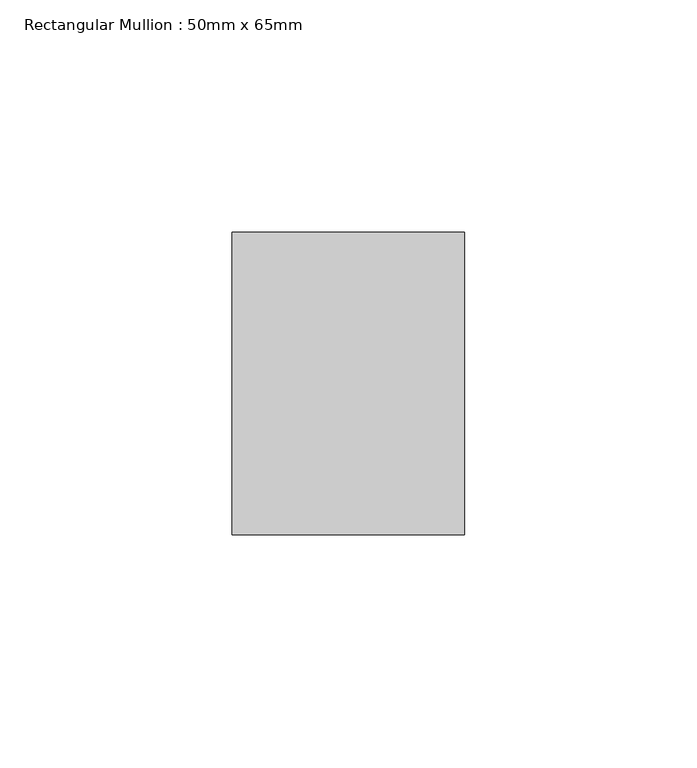
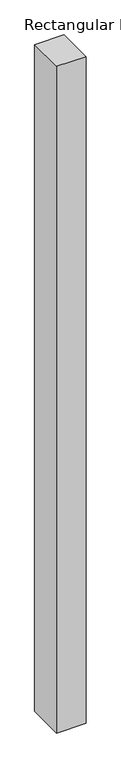
"""IFC4 building model written with IfcOpenShell, lengths in millimetres: member geometry, Rectangular Mullion : 50mm x 65mm."""

from ifc_helpers import new_model, si_unit, frame, origin, place, context, project, spatial, polyline, outline, extrude, source, transform, mapped, element, save


def rectangular_mullion_50mm_x_65mm_db64647a(model_context):
    return source(origin(), model_context, "Body", "SweptSolid", [
        extrude(outline(polyline([(25.0, 32.5), (25.0, -32.5), (-25.0, -32.5), (-25.0, 32.5), (25.0, 32.5)])), frame((0.0, 0.0, -1205.1797436), z_axis=(0.0, 0.0, 1.0), x_axis=(1.0, 0.0, 0.0)), (0.0, 0.0, 1.0), 1205.1797436),
    ])


if __name__ == "__main__":
    model = new_model("IFC4")
    model_context = context("Model", 3, world=origin())
    ifc_project = project(units=[si_unit("LENGTHUNIT", "METRE", prefix="MILLI")], contexts=[model_context])
    site = spatial("IfcSite", under=ifc_project)
    building = spatial("IfcBuilding", under=site)
    placement = place(None, origin())
    rectangular_mullion_50mm_x_65mm_shape = rectangular_mullion_50mm_x_65mm_db64647a(model_context)
    element("IfcMember", 1, ObjectType="Rectangular Mullion : 50mm x 65mm", at=placement, inside=building, context=model_context, shape_type="MappedRepresentation", body=[
        mapped(rectangular_mullion_50mm_x_65mm_shape, transform((0.0, 0.0, 0.0), x_axis=(1.0, 0.0, 0.0), y_axis=(0.0, 1.0, 0.0), z_axis=(0.0, 0.0, 1.0))),
    ])
    save(model, "model.ifc")
